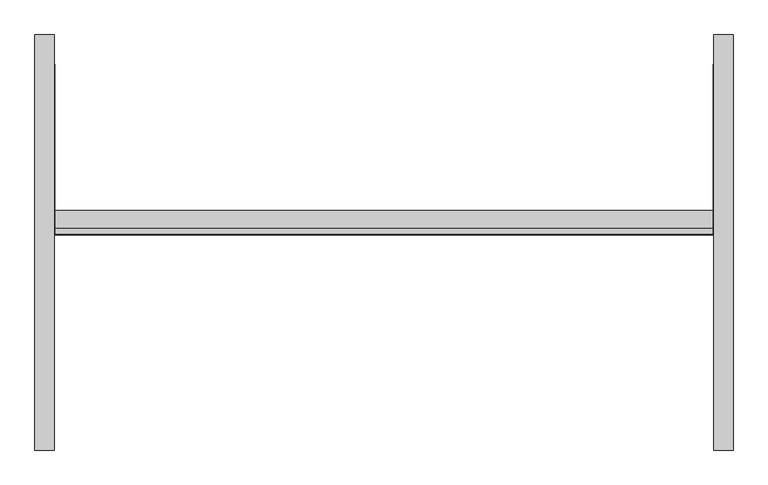
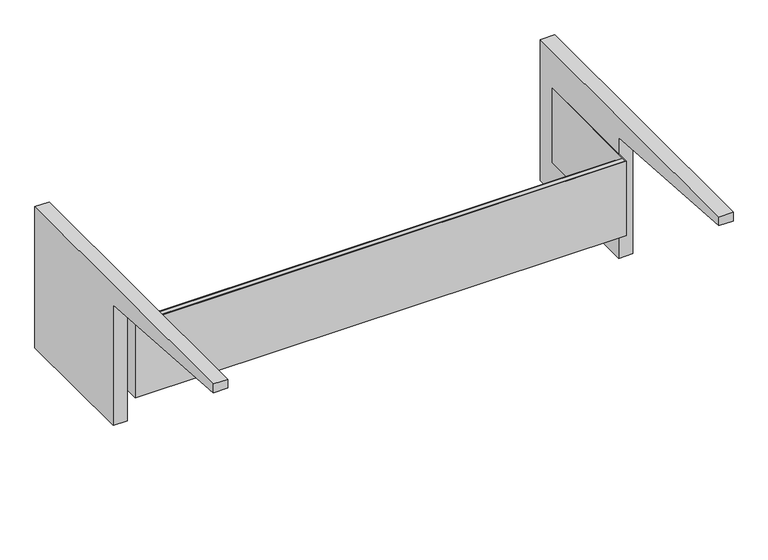
"""IFC4 building model written with IfcOpenShell, lengths in millimetres: furniture geometry."""

from ifc_helpers import new_model, si_unit, point, frame, frame_2d, origin, place, context, project, spatial, polyline, circle_curve, trimmed, segment, composite_curve, outline, extrude, source, transform, mapped, element, save


def furniture_2cc9e852(model_context):
    return source(origin(), model_context, "Body", "SweptSolid", [
        extrude(outline(composite_curve([segment(polyline([(254.0, 476.25), (254.0, 127.0), (-63.5, 127.0), (-63.5, 425.45)]), True, "CONTINUOUS"), segment(trimmed(circle_curve(frame_2d((-464.343904, -2317.7524637)), 2772.3339612), [point((-63.5, 425.45))], [point((-469.9, 454.5759299))], True, "CARTESIAN"), True, "CONTINUOUS"), segment(polyline([(-469.9, 454.5759299), (-469.9, 476.25), (254.0, 476.25)]), True, "CONTINUOUS")], self_intersect=False)), frame((574.675, 0.0, 0.0), z_axis=(1.0, 0.0, 0.0), x_axis=(0.0, 1.0, 0.0)), (0.0, 0.0, 1.0), 33.3375),
        extrude(outline(composite_curve([segment(polyline([(-469.9, 454.5759299), (-469.9, 476.25), (254.0, 476.25), (254.0, 127.0), (-63.5, 127.0), (-63.5, 425.45)]), True, "CONTINUOUS"), segment(trimmed(circle_curve(frame_2d((-464.343904, -2317.7524637)), 2772.3339612), [point((-63.5, 425.45))], [point((-469.9, 454.5759299))], True, "CARTESIAN"), True, "CONTINUOUS")], self_intersect=False)), frame((-608.0125, 0.0, 0.0), z_axis=(1.0, 0.0, 0.0), x_axis=(0.0, 1.0, 0.0)), (0.0, 0.0, 1.0), 33.3375),
        extrude(outline(polyline([(-573.0875, -93.6625), (573.0875, -93.6625), (573.0875, 203.2), (574.675, 203.2), (574.675, -95.25), (-574.675, -95.25), (-574.675, 203.2), (-573.0875, 203.2), (-573.0875, -93.6625)])), frame((0.0, 0.0, 202.5396), z_axis=(0.0, 0.0, 1.0), x_axis=(1.0, 0.0, 0.0)), (0.0, 0.0, 1.0), 184.15),
        extrude(outline(polyline([(-84.1057553, 385.89585), (-93.6625, 385.89585), (-93.6625, 363.67085), (-52.0699988, 363.67085), (-52.0699988, 202.5396), (-95.25, 202.5396), (-95.25, 386.6896), (-83.3120053, 386.6896), (-83.3120053, 379.6791994), (-84.1057553, 379.6791994), (-84.1057553, 385.89585)])), frame((-574.675, 0.0, 0.0), z_axis=(1.0, 0.0, 0.0), x_axis=(0.0, 1.0, 0.0)), (0.0, 0.0, 1.0), 1149.35),
    ])


if __name__ == "__main__":
    model = new_model("IFC4")
    model_context = context("Model", 3, world=origin())
    ifc_project = project(units=[si_unit("LENGTHUNIT", "METRE", prefix="MILLI")], contexts=[model_context])
    site = spatial("IfcSite", under=ifc_project)
    building = spatial("IfcBuilding", under=site)
    placement = place(None, origin())
    furniture_shape = furniture_2cc9e852(model_context)
    element("IfcFurniture", 1, at=placement, inside=building, context=model_context, shape_type="MappedRepresentation", body=[
        mapped(furniture_shape, transform((0.0, 0.0, 0.0), x_axis=(1.0, 0.0, 0.0), y_axis=(0.0, 1.0, 0.0), z_axis=(0.0, 0.0, 1.0))),
    ])
    save(model, "model.ifc")
